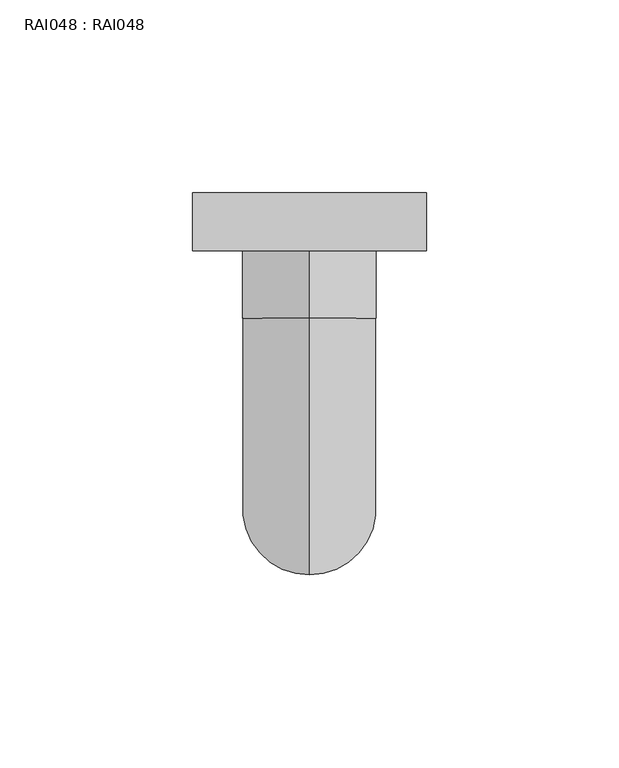
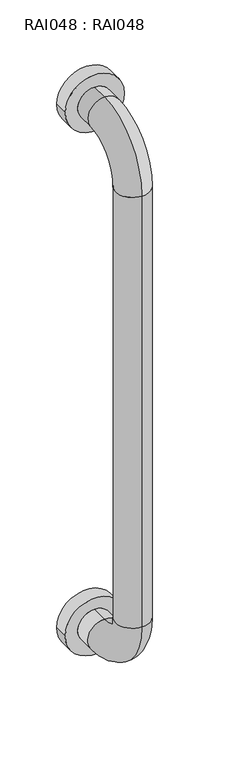
"""IFC4 building model written with IfcOpenShell, lengths in millimetres: proxy geometry, RAI048 : RAI048."""

import ifcopenshell
import ifcopenshell.guid

model = None  # the IFC model being written
_history = None  # IfcOwnerHistory: only IFC2X3 demands one
_inside = {}  # id of a spatial element -> (the spatial element, [elements in it])
_under = {}  # id of a project, library or spatial element -> (it, [spatial elements below it])
_declared = {}  # id of a project -> (the project, [libraries it declares])
_typed = {}  # id of a type object -> (the type object, [elements of that type])
_made_of = {}  # id of a material, layer set ... -> (it, [elements and type objects made of it])


def new_model(schema):
    """Start an empty IFC model of exactly this schema.

    Asked for "IFC4X3", IfcOpenShell would pick the latest addendum, in which some entities
    have other attributes; the version numbers below select the first issue.
    IFC2X3 requires an IfcOwnerHistory on every rooted entity: one is made here for all.
    """
    global model, _history
    if schema == "IFC4X3":
        model = ifcopenshell.file(schema_version=(4, 3, 0, 0))
    else:
        model = ifcopenshell.file(schema=schema)
    _inside.clear()
    _under.clear()
    _declared.clear()
    _typed.clear()
    _made_of.clear()
    _history = None
    if model.schema == "IFC2X3":
        org = make("IfcOrganization", Name="unknown")
        user = make(
            "IfcPersonAndOrganization",
            ThePerson=make("IfcPerson", FamilyName="unknown"),
            TheOrganization=org,
        )
        app = make(
            "IfcApplication",
            ApplicationDeveloper=org,
            Version="unknown",
            ApplicationFullName="unknown",
            ApplicationIdentifier="unknown",
        )
        _history = make(
            "IfcOwnerHistory",
            OwningUser=user,
            OwningApplication=app,
            ChangeAction="ADDED",
            CreationDate=0,
        )
    return model


def make(cls, **values):
    """One entity of the class cls with the attributes given. An attribute that is None is left unset."""
    return model.create_entity(
        cls, **{name: value for name, value in values.items() if value is not None}
    )


def rooted(cls, **values):
    """An entity with a GlobalId (a new one), such as an element, a storey or a relation."""
    return make(cls, GlobalId=ifcopenshell.guid.new(), OwnerHistory=_history, **values)


def si_unit(unit_type, name, prefix=None):
    """IfcSIUnit, for example si_unit("LENGTHUNIT", "METRE", prefix="MILLI")."""
    return make("IfcSIUnit", UnitType=unit_type, Prefix=prefix, Name=name)


def assignment(units):
    """IfcUnitAssignment: the units of a project."""
    return None if units is None else make("IfcUnitAssignment", Units=units)


def point(xyz):
    """IfcCartesianPoint."""
    return None if xyz is None else make("IfcCartesianPoint", Coordinates=xyz)


def direction(xyz):
    """IfcDirection."""
    return None if xyz is None else make("IfcDirection", DirectionRatios=xyz)


def frame(location, z_axis=None, x_axis=None):
    """IfcAxis2Placement3D, a coordinate frame: its origin and axes. An axis left out is left unset."""
    return make(
        "IfcAxis2Placement3D",
        Location=point(location),
        Axis=direction(z_axis),
        RefDirection=direction(x_axis),
    )


def origin():
    """The frame at (0, 0, 0) with its axes left unset."""
    return frame((0.0, 0.0, 0.0))


def place(relative_to, where):
    """IfcLocalPlacement: puts the frame where relative to a parent placement (None: the world)."""
    return make(
        "IfcLocalPlacement", PlacementRelTo=relative_to, RelativePlacement=where
    )


def context(
    kind, dimensions, precision=None, world=None, true_north=None, identifier=None
):
    """IfcGeometricRepresentationContext, for example the 3D "Model" context."""
    return make(
        "IfcGeometricRepresentationContext",
        ContextIdentifier=identifier,
        ContextType=kind,
        CoordinateSpaceDimension=dimensions,
        Precision=precision,
        WorldCoordinateSystem=world,
        TrueNorth=true_north,
    )


def project(units=None, contexts=None):
    """IfcProject with its units and contexts."""
    return rooted(
        "IfcProject",
        Name="project",
        RepresentationContexts=contexts,
        UnitsInContext=assignment(units),
    )


def spatial(cls, under=None, at=None, **own):
    """A site, building, storey or space (cls), placed at a placement, below another one or the project."""
    s = rooted(cls, ObjectPlacement=at, **own)
    if under is not None:
        _under.setdefault(under.id(), (under, []))[1].append(s)
    return s


def circle_curve(where, radius):
    """IfcCircle in the frame where."""
    return make("IfcCircle", Position=where, Radius=radius)


def ellipse_curve(where, semi_axis1, semi_axis2):
    """IfcEllipse in the frame where."""
    return make(
        "IfcEllipse", Position=where, SemiAxis1=semi_axis1, SemiAxis2=semi_axis2
    )


def trimmed(basis, trim1, trim2, sense, master):
    """IfcTrimmedCurve: the piece of a basis curve between two trims."""
    return make(
        "IfcTrimmedCurve",
        BasisCurve=basis,
        Trim1=trim1,
        Trim2=trim2,
        SenseAgreement=sense,
        MasterRepresentation=master,
    )


def shape(context_of_items, identifier, shape_type, items):
    """IfcShapeRepresentation: the items that make up one representation, for example the "Body"."""
    return make(
        "IfcShapeRepresentation",
        ContextOfItems=context_of_items,
        RepresentationIdentifier=identifier,
        RepresentationType=shape_type,
        Items=items,
    )


def source(mapping_origin, context_of_items, identifier, shape_type, items):
    """IfcRepresentationMap: a shape defined once, which mapped items show again and again."""
    return make(
        "IfcRepresentationMap",
        MappingOrigin=mapping_origin,
        MappedRepresentation=shape(context_of_items, identifier, shape_type, items),
    )


def transform(
    local_origin,
    x_axis=None,
    y_axis=None,
    z_axis=None,
    scale=None,
    scale2=None,
    scale3=None,
    uniform=True,
):
    """IfcCartesianTransformationOperator3D, or its non-uniform kind. x_axis, y_axis, z_axis: its Axis1, 2, 3."""
    if uniform:
        return make(
            "IfcCartesianTransformationOperator3D",
            Axis1=direction(x_axis),
            Axis2=direction(y_axis),
            LocalOrigin=point(local_origin),
            Scale=scale,
            Axis3=direction(z_axis),
        )
    return make(
        "IfcCartesianTransformationOperator3DnonUniform",
        Axis1=direction(x_axis),
        Axis2=direction(y_axis),
        LocalOrigin=point(local_origin),
        Scale=scale,
        Axis3=direction(z_axis),
        Scale2=scale2,
        Scale3=scale3,
    )


def mapped(mapping_source, mapping_target):
    """IfcMappedItem: shows the shape of a source again, moved by a transform."""
    return make(
        "IfcMappedItem", MappingSource=mapping_source, MappingTarget=mapping_target
    )


def made_of(thing, what):
    """Note that an element or type object is made of a material, layer set ...; save() writes the relation."""
    if what is not None:
        _made_of.setdefault(what.id(), (what, []))[1].append(thing)
    return thing


def element(
    cls,
    number,
    at=None,
    inside=None,
    cuts=None,
    type_object=None,
    material=None,
    context=None,
    identifier="Body",
    shape_type=None,
    held_by="IfcProductDefinitionShape",
    body=None,
    shapes=None,
    **own,
):
    """One element of the class cls, such as IfcWall. Its Tag is "e" and its number.

    at: its placement. inside: the storey or other place that contains it. cuts: it is an
    opening in that element (IfcRelVoidsElement). A single representation is given by context,
    identifier, shape_type and body (its items); several are given by shapes. held_by: the class
    of the entity that holds the representations. save() writes the other relations.
    """
    e = rooted(cls, Tag="e%d" % number, ObjectPlacement=at, **own)
    if body is not None:
        shapes = [shape(context, identifier, shape_type, body)]
    if shapes is not None:
        e.Representation = make(held_by, Representations=shapes)
    if inside is not None:
        _inside.setdefault(inside.id(), (inside, []))[1].append(e)
    if cuts is not None:
        rooted(
            "IfcRelVoidsElement", RelatingBuildingElement=cuts, RelatedOpeningElement=e
        )
    if type_object is not None:
        _typed.setdefault(type_object.id(), (type_object, []))[1].append(e)
    return made_of(e, material)


def aggregate(whole, parts):
    """IfcRelAggregates: a whole, such as a stair, and the parts it consists of."""
    return rooted("IfcRelAggregates", RelatingObject=whole, RelatedObjects=parts)


def save(model, path):
    """Write the relations noted so far, then the file.

    IfcRelAggregates (storeys below a building ...), IfcRelContainedInSpatialStructure (elements
    in a storey), IfcRelDefinesByType, IfcRelAssociatesMaterial and IfcRelDeclares: one each for
    every whole, place, type object, material and project.
    """
    for whole, parts in _under.values():
        aggregate(whole, parts)
    for where, things in _inside.values():
        rooted(
            "IfcRelContainedInSpatialStructure",
            RelatedElements=things,
            RelatingStructure=where,
        )
    for kind, things in _typed.values():
        rooted("IfcRelDefinesByType", RelatedObjects=things, RelatingType=kind)
    for what, things in _made_of.values():
        rooted("IfcRelAssociatesMaterial", RelatedObjects=things, RelatingMaterial=what)
    for by, libraries in _declared.values():
        rooted("IfcRelDeclares", RelatingContext=by, RelatedDefinitions=libraries)
    model.write(path)


def plane_surface(at):
    """IfcPlane: the flat surface through the origin of the frame at, square to its z axis."""
    return make("IfcPlane", Position=at)


def cylinder_surface(at, radius):
    """IfcCylindricalSurface: all points at the distance radius from the z axis of the frame at."""
    return make("IfcCylindricalSurface", Position=at, Radius=radius)


def revolved_surface(curve, axis_point, axis_direction):
    """IfcSurfaceOfRevolution: the curve turned about the line through axis_point along axis_direction."""
    return make(
        "IfcSurfaceOfRevolution",
        SweptCurve=make("IfcArbitraryOpenProfileDef", ProfileType="CURVE", Curve=curve),
        AxisPosition=make("IfcAxis1Placement", Location=point(axis_point), Axis=direction(axis_direction)),
    )


def advanced_brep(points, edges, surfaces, faces):
    """IfcAdvancedBrep: a solid bounded by faces that lie on surfaces and meet in shared edges.

    An edge is (start, end): straight between two places in points (the first is 0);
    or (start, end, curve); or (start, end, curve, False) where it runs against its curve.
    A face is (place in surfaces, loops), or (place, loops, False) where it looks against
    its surface's normal. A loop lists edges by number (the first is 1), with a minus sign
    where the edge is run from its end to its start. The first loop is the outer one.
    """
    corners = [point(p) for p in points]
    vertices = [make("IfcVertexPoint", VertexGeometry=c) for c in corners]
    made = []
    for start, end, *more in edges:
        made.append(
            make(
                "IfcEdgeCurve",
                EdgeStart=vertices[start],
                EdgeEnd=vertices[end],
                EdgeGeometry=more[0] if more else make("IfcPolyline", Points=[corners[start], corners[end]]),
                SameSense=more[1] if len(more) > 1 else True,
            )
        )
    hull = []
    for where, loops, *sense in faces:
        bounds = []
        for j, loop in enumerate(loops):
            ring = [make("IfcOrientedEdge", EdgeElement=made[abs(k) - 1], Orientation=k > 0) for k in loop]
            bounds.append(
                make(
                    "IfcFaceOuterBound" if j == 0 else "IfcFaceBound",
                    Bound=make("IfcEdgeLoop", EdgeList=ring),
                    Orientation=True,
                )
            )
        hull.append(make("IfcAdvancedFace", Bounds=bounds, FaceSurface=surfaces[where], SameSense=sense[0] if sense else True))
    return make("IfcAdvancedBrep", Outer=make("IfcClosedShell", CfsFaces=hull))


def rai048_rai048_81031de3(model_context):
    return source(origin(), model_context, "Body", "AdvancedBrep", [
        advanced_brep(
        [(-30.3468259, -15.0142219, 17.1531468), (30.3468259, -15.0142219, 17.1531468), (0.0, -15.0142219, 35.4676161), (0.0, -15.0142219, 0.836733), (-30.3468259, 0.0, 17.1531468), (30.3468259, 0.0, 17.1531468), (-30.3468259, 0.0, 581.9545869), (30.3468259, 0.0, 581.9545869), (0.0, -32.5141912, 599.163275), (0.0, -32.5141912, 564.5323919), (0.0, -15.0142219, 564.5323919), (0.0, -15.0142219, 599.163275), (0.0, -99.177484, 532.4999823), (0.0, -64.5466008, 532.4999823), (0.0, -99.177484, 67.4999962), (0.0, -64.5466008, 67.4999962), (0.0, -32.5142208, 0.836733), (0.0, -32.5142208, 35.4676161), (-30.3468259, -15.0142219, 581.9545869), (30.3468259, -15.0142219, 581.9545869)],
        [
            (0, 1, circle_curve(frame((0.0, -15.0142219, 17.1531468), z_axis=(0.0, -1.0, 0.0), x_axis=(1.0, 0.0, 0.0)), 30.3468259)),
            (1, 0, circle_curve(frame((0.0, -15.0142219, 17.1531468), z_axis=(0.0, -1.0, 0.0), x_axis=(1.0, 0.0, 0.0)), 30.3468259)),
            (2, 3, circle_curve(frame((0.0, -15.0142219, 18.1521745), z_axis=(0.0, 1.0, 0.0), x_axis=(0.0, 0.0, 1.0)), 17.3154416)),
            (3, 2, circle_curve(frame((0.0, -15.0142219, 18.1521745), z_axis=(0.0, 1.0, 0.0), x_axis=(0.0, 0.0, 1.0)), 17.3154416)),
            (4, 5, circle_curve(frame((0.0, 0.0, 17.1531468), z_axis=(0.0, 1.0, 0.0), x_axis=(1.0, 0.0, 0.0)), 30.3468259)),
            (5, 4, circle_curve(frame((0.0, 0.0, 17.1531468), z_axis=(0.0, 1.0, 0.0), x_axis=(1.0, 0.0, 0.0)), 30.3468259)),
            (0, 4),
            (5, 1),
            (6, 7, circle_curve(frame((0.0, 0.0, 581.9545869), z_axis=(0.0, 1.0, 0.0), x_axis=(1.0, 0.0, 0.0)), 30.3468259)),
            (7, 6, circle_curve(frame((0.0, 0.0, 581.9545869), z_axis=(0.0, 1.0, 0.0), x_axis=(1.0, 0.0, 0.0)), 30.3468259)),
            (8, 9, circle_curve(frame((0.0, -32.5141912, 581.8478334), z_axis=(0.0, 1.0, 0.0), x_axis=(0.0, 0.0, -1.0)), 17.3154416)),
            (9, 10),
            (10, 11, circle_curve(frame((0.0, -15.0142219, 581.8478334), z_axis=(0.0, -1.0, 0.0), x_axis=(0.0, 0.0, -1.0)), 17.3154416)),
            (11, 8),
            (9, 8, circle_curve(frame((0.0, -32.5141912, 581.8478334), z_axis=(0.0, 1.0, 0.0), x_axis=(0.0, 0.0, -1.0)), 17.3154416)),
            (11, 10, circle_curve(frame((0.0, -15.0142219, 581.8478334), z_axis=(0.0, -1.0, 0.0), x_axis=(0.0, 0.0, -1.0)), 17.3154416)),
            (8, 12, circle_curve(frame((0.0, -32.5141912, 532.4999823), z_axis=(1.0, 0.0, 0.0), x_axis=(0.0, 0.0, 1.0)), 66.6632928)),
            (12, 13, circle_curve(frame((0.0, -81.8620424, 532.4999823), z_axis=(0.0, 0.0, 1.0), x_axis=(0.0, 1.0, 0.0)), 17.3154416)),
            (13, 9, circle_curve(frame((0.0, -32.5141912, 532.4999823), z_axis=(-1.0, 0.0, 0.0), x_axis=(0.0, 0.0, 1.0)), 32.0324096)),
            (13, 12, circle_curve(frame((0.0, -81.8620424, 532.4999823), z_axis=(0.0, 0.0, 1.0), x_axis=(0.0, 1.0, 0.0)), 17.3154416)),
            (12, 14),
            (14, 15, circle_curve(frame((0.0, -81.8620424, 67.4999962), z_axis=(0.0, 0.0, 1.0), x_axis=(0.0, 1.0, 0.0)), 17.3154416)),
            (15, 13),
            (15, 14, circle_curve(frame((0.0, -81.8620424, 67.4999962), z_axis=(0.0, 0.0, 1.0), x_axis=(0.0, 1.0, 0.0)), 17.3154416)),
            (14, 16, circle_curve(frame((0.0, -32.5142208, 67.4999962), z_axis=(1.0, 0.0, 0.0), x_axis=(0.0, -1.0, 0.0)), 66.6632632)),
            (16, 17, circle_curve(frame((0.0, -32.5142208, 18.1521745), z_axis=(0.0, -1.0, 0.0), x_axis=(0.0, 0.0, 1.0)), 17.3154416)),
            (17, 15, circle_curve(frame((0.0, -32.5142208, 67.4999962), z_axis=(-1.0, 0.0, 0.0), x_axis=(0.0, -1.0, 0.0)), 32.0323801)),
            (17, 16, circle_curve(frame((0.0, -32.5142208, 18.1521745), z_axis=(0.0, -1.0, 0.0), x_axis=(0.0, 0.0, 1.0)), 17.3154416)),
            (16, 3),
            (2, 17),
            (18, 19, circle_curve(frame((0.0, -15.0142219, 581.9545869), z_axis=(0.0, -1.0, 0.0), x_axis=(1.0, 0.0, 0.0)), 30.3468259)),
            (19, 18, circle_curve(frame((0.0, -15.0142219, 581.9545869), z_axis=(0.0, -1.0, 0.0), x_axis=(1.0, 0.0, 0.0)), 30.3468259)),
            (18, 6),
            (7, 19),
        ],
        [
            plane_surface(frame((30.3468259, -15.0142219, 17.1531468), z_axis=(0.0, -1.0, 0.0), x_axis=(0.0, 0.0, 1.0))),
            plane_surface(frame((30.3468259, 0.0, 17.1531468), z_axis=(0.0, 1.0, 0.0), x_axis=(0.0, 0.0, -1.0))),
            cylinder_surface(frame((0.0, 0.0, 17.1531468), z_axis=(0.0, -1.0, 0.0), x_axis=(1.0, 0.0, 0.0)), 30.3468259),
            plane_surface(frame((0.0, 0.0, 587.9100085), z_axis=(0.0, 1.0, 0.0), x_axis=(1.0, 0.0, 0.0))),
            cylinder_surface(frame((0.0, 0.0, 581.8478334), z_axis=(0.0, 1.0, 0.0), x_axis=(0.0, 0.0, -1.0)), 17.3154416),
            revolved_surface(trimmed(ellipse_curve(frame((0.0, -32.5141912, 581.8478334), z_axis=(0.0, 1.0, 0.0), x_axis=(0.0, 0.0, -1.0)), 17.3154416, 17.3154416), [point((0.0, -32.5141912, 599.163275))], [point((0.0, -32.5141912, 564.5323919))], True, "CARTESIAN"), (0.0, -32.5141912, 532.4999823), (1.0, 0.0, 0.0)),
            revolved_surface(trimmed(ellipse_curve(frame((0.0, -32.5141912, 581.8478334), z_axis=(0.0, 1.0, 0.0), x_axis=(0.0, 0.0, -1.0)), 17.3154416, 17.3154416), [point((0.0, -32.5141912, 564.5323919))], [point((0.0, -32.5141912, 599.163275))], True, "CARTESIAN"), (0.0, -32.5141912, 532.4999823), (1.0, 0.0, 0.0)),
            cylinder_surface(frame((0.0, -81.8620424, 532.4999823), z_axis=(0.0, 0.0, 1.0), x_axis=(0.0, 1.0, 0.0)), 17.3154416),
            revolved_surface(trimmed(ellipse_curve(frame((0.0, -81.8620424, 67.4999962), z_axis=(0.0, 0.0, 1.0), x_axis=(0.0, 1.0, 0.0)), 17.3154416, 17.3154416), [point((0.0, -99.177484, 67.4999962))], [point((0.0, -64.5466008, 67.4999962))], True, "CARTESIAN"), (0.0, -32.5142208, 67.4999962), (1.0, 0.0, 0.0)),
            revolved_surface(trimmed(ellipse_curve(frame((0.0, -81.8620424, 67.4999962), z_axis=(0.0, 0.0, 1.0), x_axis=(0.0, 1.0, 0.0)), 17.3154416, 17.3154416), [point((0.0, -64.5466008, 67.4999962))], [point((0.0, -99.177484, 67.4999962))], True, "CARTESIAN"), (0.0, -32.5142208, 67.4999962), (1.0, 0.0, 0.0)),
            cylinder_surface(frame((0.0, -32.5142208, 18.1521745), z_axis=(0.0, -1.0, 0.0), x_axis=(0.0, 0.0, 1.0)), 17.3154416),
            plane_surface(frame((30.3468259, -15.0142219, 581.9545869), z_axis=(0.0, -1.0, 0.0), x_axis=(0.0, 0.0, 1.0))),
            cylinder_surface(frame((0.0, 0.0, 581.9545869), z_axis=(0.0, -1.0, 0.0), x_axis=(1.0, 0.0, 0.0)), 30.3468259),
        ],
        [
            (0, [[1, 2], [3, 4]]),
            (1, [[5, 6]]),
            (2, [[-1, 7, -6, 8]]),
            (2, [[-2, -8, -5, -7]]),
            (3, [[9, 10]]),
            (4, [[11, 12, 13, 14]]),
            (4, [[15, -14, 16, -12]]),
            (5, [[-11, 17, 18, 19]]),
            (6, [[-15, -19, 20, -17]]),
            (7, [[-18, 21, 22, 23]]),
            (7, [[-20, -23, 24, -21]]),
            (8, [[-22, 25, 26, 27]]),
            (9, [[-24, -27, 28, -25]]),
            (10, [[-26, 29, -3, 30]]),
            (10, [[-28, -30, -4, -29]]),
            (11, [[31, 32], [-13, -16]]),
            (12, [[-31, 33, -10, 34]]),
            (12, [[-32, -34, -9, -33]]),
        ],
    ),
    ])


if __name__ == "__main__":
    model = new_model("IFC4")
    model_context = context("Model", 3, world=origin())
    ifc_project = project(units=[si_unit("LENGTHUNIT", "METRE", prefix="MILLI")], contexts=[model_context])
    site = spatial("IfcSite", under=ifc_project)
    building = spatial("IfcBuilding", under=site)
    placement = place(None, origin())
    rai048_rai048_shape = rai048_rai048_81031de3(model_context)
    element("IfcBuildingElementProxy", 1, Name="RAI048 : RAI048", ObjectType="RAI048 : RAI048", at=placement, inside=building, context=model_context, shape_type="MappedRepresentation", body=[
        mapped(rai048_rai048_shape, transform((0.0, 0.0, 0.0), x_axis=(1.0, 0.0, 0.0), y_axis=(0.0, 1.0, 0.0), z_axis=(0.0, 0.0, 1.0))),
    ])
    save(model, "model.ifc")
